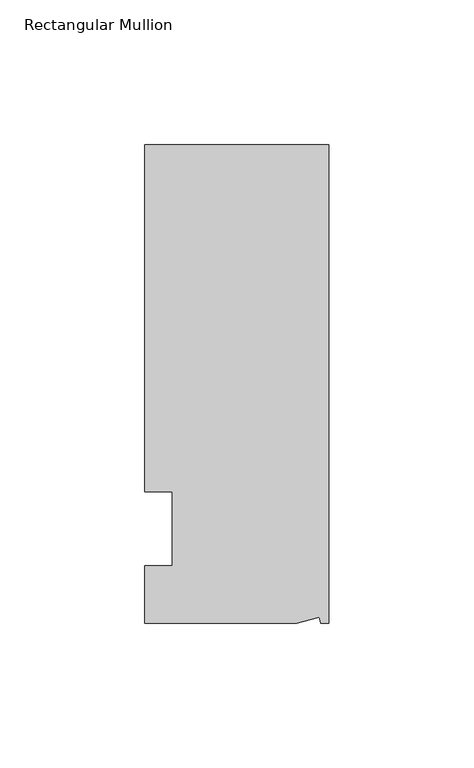
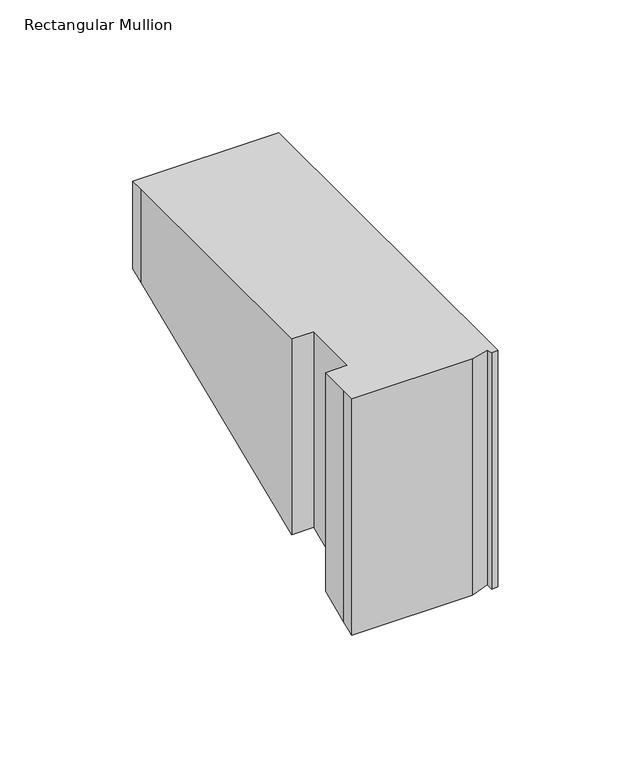
"""IFC4 building model written with IfcOpenShell, lengths in millimetres: member geometry, Rectangular Mullion."""

from ifc_helpers import new_model, si_unit, origin, place, context, project, spatial, faceted_brep, source, transform, mapped, element, save


def rectangular_mullion_a9f8d9e8(model_context):
    return source(origin(), model_context, "Body", "Brep", [
        faceted_brep([(0.0, 132.5561012, 0.0), (-63.5, 132.5561012, 0.0), (-63.5, 126.2061012, 0.0), (-63.5, 12.8488281, 0.0), (-53.975, 12.8488281, 0.0), (-53.975, -12.7, 0.0), (-63.5, -12.7, 0.0), (-63.5, -26.1938988, 0.0), (-63.5076469, -32.5438988, 0.0), (-11.1125, -32.5438988, 0.0), (-3.3223696, -30.4565397, 0.0), (-2.7630634, -32.5438988, 0.0), (0.0, -32.5438988, 0.0), (0.0, -32.5438988, -108.7301243), (0.0, 132.5561012, -40.3434651), (-63.5, 132.5561012, -40.3434651), (-63.5, 126.2061012, -42.9737212), (-63.5, 12.8488281, -89.9278411), (-53.975, 12.8488281, -89.9278411), (-53.975, -12.7, -100.5105122), (-63.5, -12.7, -100.5105122), (-63.5, -26.1938988, -106.0998681), (-63.5076469, -32.5438988, -108.7301243), (-11.1125, -32.5438988, -108.7301243), (-3.3223696, -30.4565397, -107.8655118), (-2.7630634, -32.5438988, -108.7301243)], [[[0, 1, 2, 3, 4, 5, 6, 7, 8, 9, 10, 11, 12]], [[0, 12, 13, 14]], [[1, 0, 14, 15]], [[3, 2, 16, 17]], [[4, 3, 17, 18]], [[5, 4, 18, 19]], [[6, 5, 19, 20]], [[7, 6, 20, 21]], [[9, 8, 22, 23]], [[10, 9, 23, 24]], [[11, 10, 24, 25]], [[12, 11, 25, 13]], [[14, 13, 25, 24, 23, 22, 21, 20, 19, 18, 17, 16, 15]], [[2, 1, 15, 16]], [[8, 7, 21, 22]]]),
    ])


if __name__ == "__main__":
    model = new_model("IFC4")
    model_context = context("Model", 3, world=origin())
    ifc_project = project(units=[si_unit("LENGTHUNIT", "METRE", prefix="MILLI")], contexts=[model_context])
    site = spatial("IfcSite", under=ifc_project)
    building = spatial("IfcBuilding", under=site)
    placement = place(None, origin())
    rectangular_mullion_shape = rectangular_mullion_a9f8d9e8(model_context)
    element("IfcMember", 1, ObjectType="Rectangular Mullion", at=placement, inside=building, context=model_context, shape_type="MappedRepresentation", body=[
        mapped(rectangular_mullion_shape, transform((0.0, 0.0, 0.0), x_axis=(1.0, 0.0, 0.0), y_axis=(0.0, 1.0, 0.0), z_axis=(0.0, 0.0, 1.0))),
    ])
    save(model, "model.ifc")
